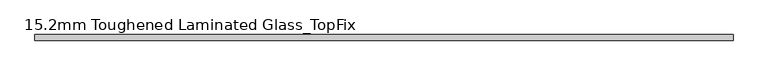
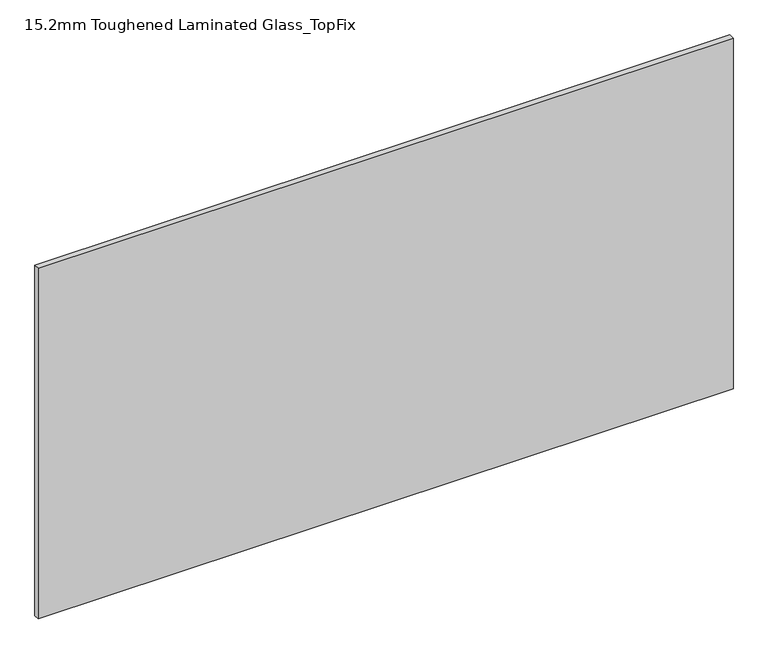
"""IFC4 building model written with IfcOpenShell, lengths in millimetres: plate geometry, 15.2mm Toughened Laminated Glass_TopFix."""

from ifc_helpers import new_model, si_unit, origin, origin_with_axes, place, context, project, spatial, polyline, outline, extrude, source, transform, mapped, element, save


def plate_15_2mm_toughened_laminated_glass_topfix_6aa3405a(model_context):
    return source(origin(), model_context, "Body", "SweptSolid", [
        extrude(outline(polyline([(945.0000001, 7.6), (945.0000001, -7.6), (-945.0000001, -7.6), (-945.0000001, 7.6), (945.0000001, 7.6)])), origin_with_axes(), (0.0, 0.0, 1.0), 1008.0),
    ])


if __name__ == "__main__":
    model = new_model("IFC4")
    model_context = context("Model", 3, world=origin())
    ifc_project = project(units=[si_unit("LENGTHUNIT", "METRE", prefix="MILLI")], contexts=[model_context])
    site = spatial("IfcSite", under=ifc_project)
    building = spatial("IfcBuilding", under=site)
    placement = place(None, origin())
    plate_15_2mm_toughened_laminated_glass_topfix_shape = plate_15_2mm_toughened_laminated_glass_topfix_6aa3405a(model_context)
    element("IfcPlate", 1, ObjectType="15.2mm Toughened Laminated Glass_TopFix", at=placement, inside=building, context=model_context, shape_type="MappedRepresentation", body=[
        mapped(plate_15_2mm_toughened_laminated_glass_topfix_shape, transform((0.0, 0.0, 0.0), x_axis=(1.0, 0.0, 0.0), y_axis=(0.0, 1.0, 0.0), z_axis=(0.0, 0.0, 1.0))),
    ])
    save(model, "model.ifc")
